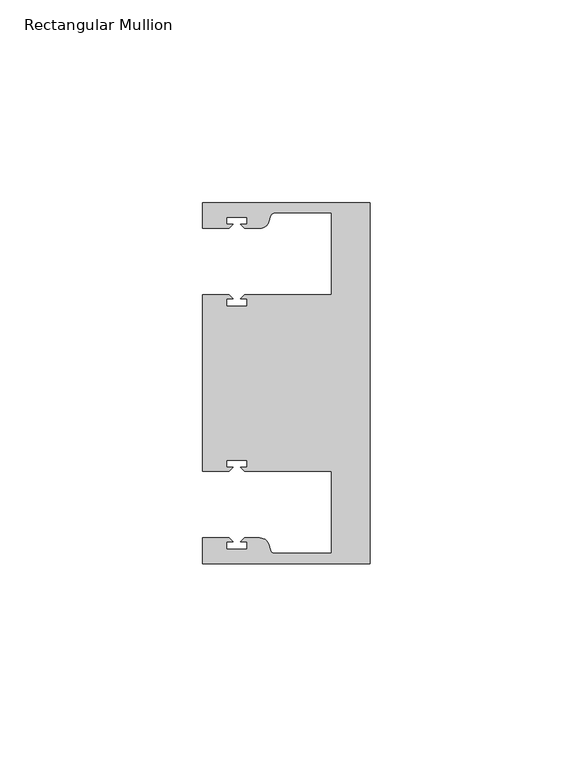
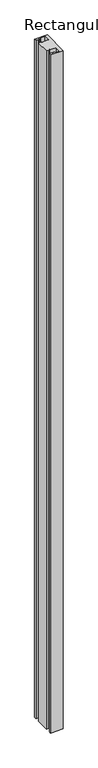
"""IFC4 building model written with IfcOpenShell, lengths in millimetres: member geometry, Rectangular Mullion."""

from ifc_helpers import new_model, si_unit, point, frame, frame_2d, origin, place, context, project, spatial, polyline, circle_curve, trimmed, segment, composite_curve, outline, extrude, source, transform, mapped, element, save


def rectangular_mullion_31b9961b(model_context):
    return source(origin(), model_context, "Body", "SweptSolid", [
        extrude(outline(composite_curve([segment(polyline([(0.0, 44.45), (0.0, -44.45), (-41.275, -44.45), (-41.275, -38.1499897), (-34.8007531, -38.1499897), (-33.8007405, -39.1500023), (-35.3749778, -39.1500023), (-35.3749778, -40.9498819), (-30.3749831, -40.9498819), (-30.3749831, -39.1500023), (-31.949256, -39.1500023), (-30.9492503, -38.1499966), (-27.2637853, -38.1499966)]), True, "CONTINUOUS"), segment(trimmed(circle_curve(frame_2d((-27.2637853, -40.6499966)), 2.5), [point((-27.2637853, -38.1499966))], [point((-24.8489707, -40.002949))], False, "CARTESIAN"), True, "CONTINUOUS"), segment(polyline([(-24.8489707, -40.002949), (-24.5258588, -41.2088192)]), True, "CONTINUOUS"), segment(trimmed(circle_curve(frame_2d((-23.5599329, -40.9500001)), 1.0), [point((-24.5258588, -41.2088192))], [point((-23.5599329, -41.9500001))], True, "CARTESIAN"), True, "CONTINUOUS"), segment(polyline([(-23.5599329, -41.9500001), (-9.525, -41.95), (-9.525, -21.7499959), (-30.9492434, -21.7499959), (-31.949256, -20.7499834), (-30.3750186, -20.7499834), (-30.3750186, -18.949936), (-35.3750134, -18.949936), (-35.3750134, -20.7499834), (-33.8007405, -20.7499834), (-34.8007562, -21.749999), (-41.275, -21.749999), (-41.275, 21.749999), (-34.8007562, 21.749999), (-33.8007405, 20.7499834), (-35.3750134, 20.7499834), (-35.3750134, 18.949936), (-30.3750186, 18.949936), (-30.3750186, 20.7499834), (-31.949256, 20.7499834), (-30.9492434, 21.7499959), (-9.525, 21.7499959), (-9.525, 41.95), (-23.5599329, 41.95)]), True, "CONTINUOUS"), segment(trimmed(circle_curve(frame_2d((-23.5599329, 40.9500001)), 1.0), [point((-23.5599329, 41.95))], [point((-24.5258588, 41.2088192))], True, "CARTESIAN"), True, "CONTINUOUS"), segment(polyline([(-24.5258588, 41.2088192), (-24.8489707, 40.002949)]), True, "CONTINUOUS"), segment(trimmed(circle_curve(frame_2d((-27.2637853, 40.6499966)), 2.5), [point((-24.8489707, 40.002949))], [point((-27.2637853, 38.1499966))], False, "CARTESIAN"), True, "CONTINUOUS"), segment(polyline([(-27.2637853, 38.1499966), (-30.9492503, 38.1499966), (-31.949256, 39.1500023), (-30.3749831, 39.1500023), (-30.3749831, 40.9498819), (-35.3749778, 40.9498819), (-35.3749778, 39.1500023), (-33.8007405, 39.1500023), (-34.8007531, 38.1499897), (-41.2749977, 38.1499897), (-41.2749977, 44.45), (0.0, 44.45)]), True, "CONTINUOUS")], self_intersect=False)), frame((0.0, 0.0, -2336.8), z_axis=(0.0, 0.0, 1.0), x_axis=(1.0, 0.0, 0.0)), (0.0, 0.0, 1.0), 2336.8),
    ])


if __name__ == "__main__":
    model = new_model("IFC4")
    model_context = context("Model", 3, world=origin())
    ifc_project = project(units=[si_unit("LENGTHUNIT", "METRE", prefix="MILLI")], contexts=[model_context])
    site = spatial("IfcSite", under=ifc_project)
    building = spatial("IfcBuilding", under=site)
    placement = place(None, origin())
    rectangular_mullion_shape = rectangular_mullion_31b9961b(model_context)
    element("IfcMember", 1, ObjectType="Rectangular Mullion", at=placement, inside=building, context=model_context, shape_type="MappedRepresentation", body=[
        mapped(rectangular_mullion_shape, transform((0.0, 0.0, 0.0), x_axis=(1.0, 0.0, 0.0), y_axis=(0.0, 1.0, 0.0), z_axis=(0.0, 0.0, 1.0))),
    ])
    save(model, "model.ifc")
